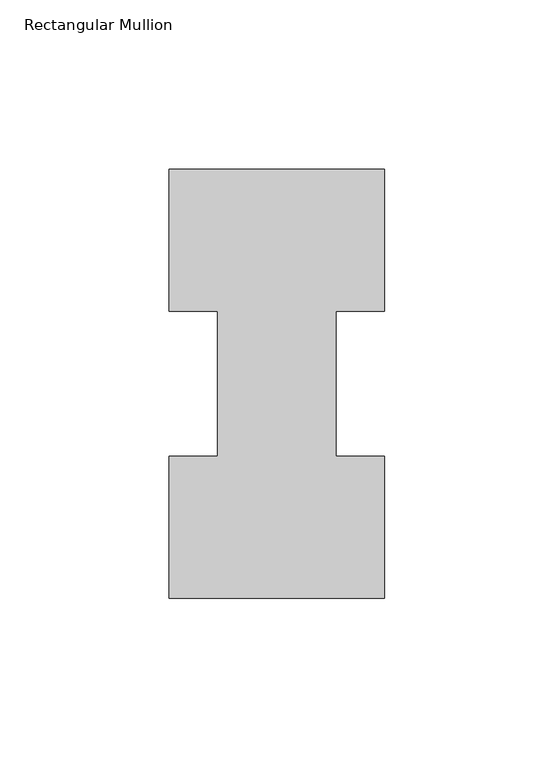
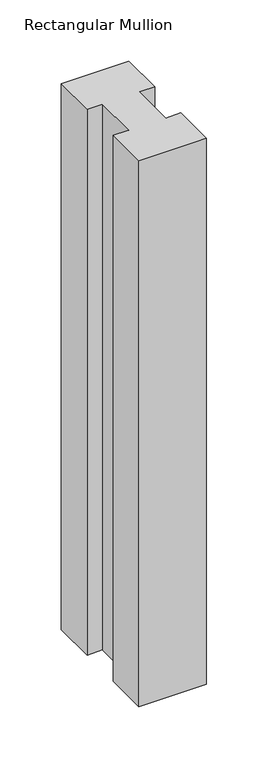
"""IFC4 building model written with IfcOpenShell, lengths in millimetres: member geometry, Rectangular Mullion."""

from ifc_helpers import new_model, si_unit, frame, origin, place, context, project, spatial, polyline, outline, extrude, source, transform, mapped, element, save


def rectangular_mullion_eddcfd4e(model_context):
    return source(origin(), model_context, "Body", "SweptSolid", [
        extrude(outline(polyline([(-63.5, -0.0373063), (-63.5, 41.7837937), (-49.2125, 41.7837937), (-49.2125, 84.6335938), (-63.5, 84.6335938), (-63.5, 126.4546937), (0.0, 126.4546937), (0.0, 84.6335938), (-14.2748, 84.6335938), (-14.2748, 41.7837937), (0.0, 41.7837937), (0.0, -0.0373063), (-63.5, -0.0373063)])), frame((0.0, 0.0, -542.925), z_axis=(0.0, 0.0, 1.0), x_axis=(1.0, 0.0, 0.0)), (0.0, 0.0, 1.0), 542.925),
    ])


if __name__ == "__main__":
    model = new_model("IFC4")
    model_context = context("Model", 3, world=origin())
    ifc_project = project(units=[si_unit("LENGTHUNIT", "METRE", prefix="MILLI")], contexts=[model_context])
    site = spatial("IfcSite", under=ifc_project)
    building = spatial("IfcBuilding", under=site)
    placement = place(None, origin())
    rectangular_mullion_shape = rectangular_mullion_eddcfd4e(model_context)
    element("IfcMember", 1, ObjectType="Rectangular Mullion", at=placement, inside=building, context=model_context, shape_type="MappedRepresentation", body=[
        mapped(rectangular_mullion_shape, transform((0.0, 0.0, 0.0), x_axis=(1.0, 0.0, 0.0), y_axis=(0.0, 1.0, 0.0), z_axis=(0.0, 0.0, 1.0))),
    ])
    save(model, "model.ifc")
